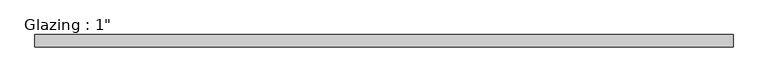
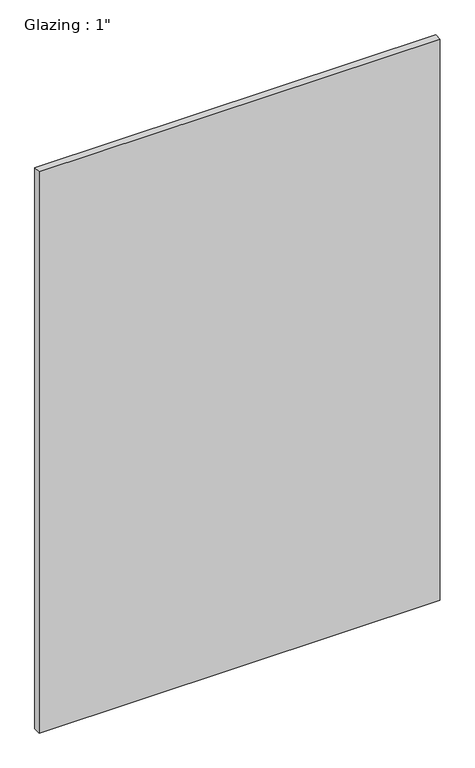
"""IFC4 building model written with IfcOpenShell, lengths in millimetres: plate geometry."""

from ifc_helpers import new_model, si_unit, origin, origin_with_axes, place, context, project, spatial, polyline, outline, extrude, source, transform, mapped, element, save


def plate_c3e4aec8(model_context):
    return source(origin(), model_context, "Body", "SweptSolid", [
        extrude(outline(polyline([(710.5540109, -12.7), (-710.5540109, -12.7), (-710.5540109, 12.7), (710.5540109, 12.7), (710.5540109, -12.7)])), origin_with_axes(), (0.0, 0.0, 1.0), 2100.892839),
    ])


if __name__ == "__main__":
    model = new_model("IFC4")
    model_context = context("Model", 3, world=origin())
    ifc_project = project(units=[si_unit("LENGTHUNIT", "METRE", prefix="MILLI")], contexts=[model_context])
    site = spatial("IfcSite", under=ifc_project)
    building = spatial("IfcBuilding", under=site)
    placement = place(None, origin())
    plate_shape = plate_c3e4aec8(model_context)
    element("IfcPlate", 1, ObjectType="Glazing : 1\"", at=placement, inside=building, context=model_context, shape_type="MappedRepresentation", body=[
        mapped(plate_shape, transform((0.0, 0.0, 0.0), x_axis=(1.0, 0.0, 0.0), y_axis=(0.0, 1.0, 0.0), z_axis=(0.0, 0.0, 1.0))),
    ])
    save(model, "model.ifc")
